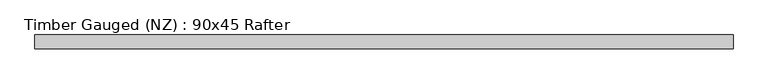
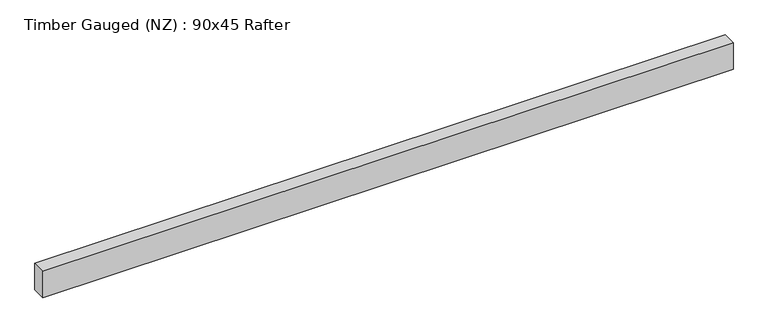
"""IFC4 building model written with IfcOpenShell, lengths in millimetres: beam geometry, Timber Gauged (NZ) : 90x45 Rafter."""

from ifc_helpers import new_model, si_unit, frame, origin, place, context, project, spatial, polyline, outline, extrude, source, transform, mapped, element, save


def timber_gauged_nz_90x45_rafter_ff1e0cfb(model_context):
    return source(origin(), model_context, "Body", "SweptSolid", [
        extrude(outline(polyline([(1120.0, 22.5), (1120.0, -22.5), (-1120.0, -22.5), (-1120.0, 22.5), (1120.0, 22.5)])), frame((0.0, 0.0, -45.0), z_axis=(0.0, 0.0, 1.0), x_axis=(1.0, 0.0, 0.0)), (0.0, 0.0, 1.0), 90.0),
    ])


if __name__ == "__main__":
    model = new_model("IFC4")
    model_context = context("Model", 3, world=origin())
    ifc_project = project(units=[si_unit("LENGTHUNIT", "METRE", prefix="MILLI")], contexts=[model_context])
    site = spatial("IfcSite", under=ifc_project)
    building = spatial("IfcBuilding", under=site)
    placement = place(None, origin())
    timber_gauged_nz_90x45_rafter_shape = timber_gauged_nz_90x45_rafter_ff1e0cfb(model_context)
    element("IfcBeam", 1, ObjectType="Timber Gauged (NZ) : 90x45 Rafter", at=placement, inside=building, context=model_context, shape_type="MappedRepresentation", body=[
        mapped(timber_gauged_nz_90x45_rafter_shape, transform((0.0, 0.0, 0.0), x_axis=(1.0, 0.0, 0.0), y_axis=(0.0, 1.0, 0.0), z_axis=(0.0, 0.0, 1.0))),
    ])
    save(model, "model.ifc")
